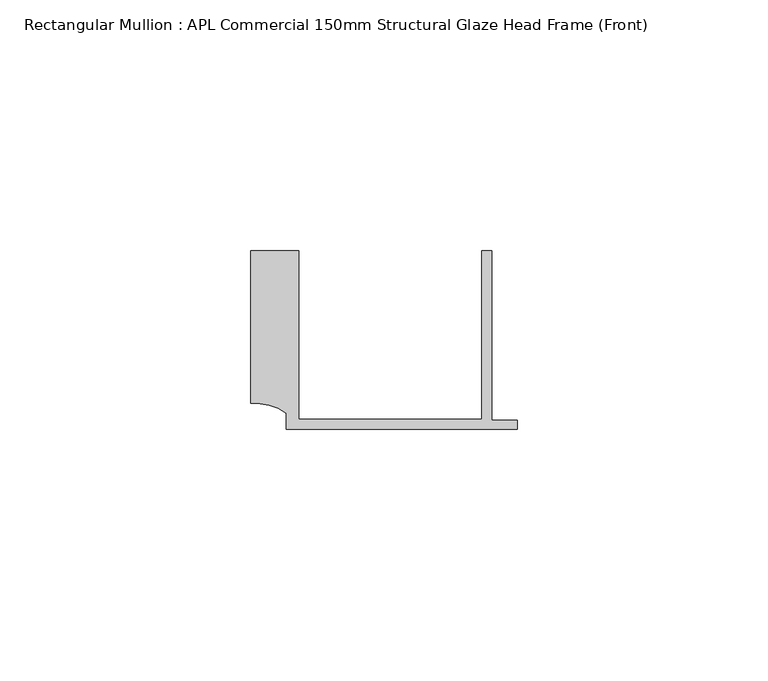
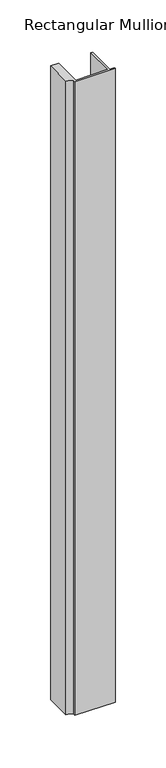
"""IFC4 building model written with IfcOpenShell, lengths in millimetres: member geometry, Rectangular Mullion : APL Commercial 150mm Structural Glaze Head Frame (Front)."""

from ifc_helpers import new_model, si_unit, point, frame, frame_2d, origin, place, context, project, spatial, polyline, circle_curve, trimmed, segment, composite_curve, outline, extrude, source, transform, mapped, element, save


def rectangular_mullion_apl_commercial_150mm_structural_glaze_47211050(model_context):
    return source(origin(), model_context, "Body", "SweptSolid", [
        extrude(outline(composite_curve([segment(polyline([(-52.9999542, 15.0), (-43.5000151, 15.0), (-43.5000151, -18.5002486), (-7.0, -18.5002486), (-7.0, 15.0), (-5.0, 15.0), (-5.0, -18.7002486), (0.0, -18.7002486), (0.0, -20.5002486), (-45.9999994, -20.5002486), (-45.9999994, -17.3126154)]), True, "CONTINUOUS"), segment(trimmed(circle_curve(frame_2d((-52.109817, -25.7982641)), 10.4563907), [point((-45.9999994, -17.3126154))], [point((-52.9999542, -15.3798304))], True, "CARTESIAN"), True, "CONTINUOUS"), segment(polyline([(-52.9999542, -15.3798304), (-52.9999542, 15.0)]), True, "CONTINUOUS")], self_intersect=False)), frame((0.0, 0.0, -764.0501522), z_axis=(0.0, 0.0, 1.0), x_axis=(1.0, 0.0, 0.0)), (0.0, 0.0, 1.0), 764.0501522),
    ])


if __name__ == "__main__":
    model = new_model("IFC4")
    model_context = context("Model", 3, world=origin())
    ifc_project = project(units=[si_unit("LENGTHUNIT", "METRE", prefix="MILLI")], contexts=[model_context])
    site = spatial("IfcSite", under=ifc_project)
    building = spatial("IfcBuilding", under=site)
    placement = place(None, origin())
    rectangular_mullion_apl_commercial_150mm_structural_glaze_shape = rectangular_mullion_apl_commercial_150mm_structural_glaze_47211050(model_context)
    element("IfcMember", 1, ObjectType="Rectangular Mullion : APL Commercial 150mm Structural Glaze Head Frame (Front)", at=placement, inside=building, context=model_context, shape_type="MappedRepresentation", body=[
        mapped(rectangular_mullion_apl_commercial_150mm_structural_glaze_shape, transform((0.0, 0.0, 0.0), x_axis=(1.0, 0.0, 0.0), y_axis=(0.0, 1.0, 0.0), z_axis=(0.0, 0.0, 1.0))),
    ])
    save(model, "model.ifc")
